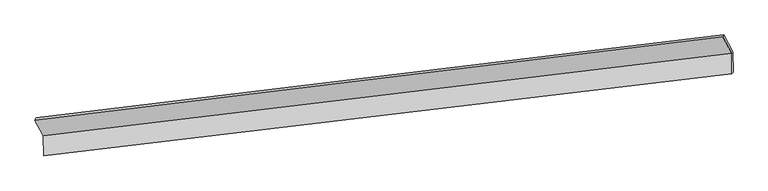
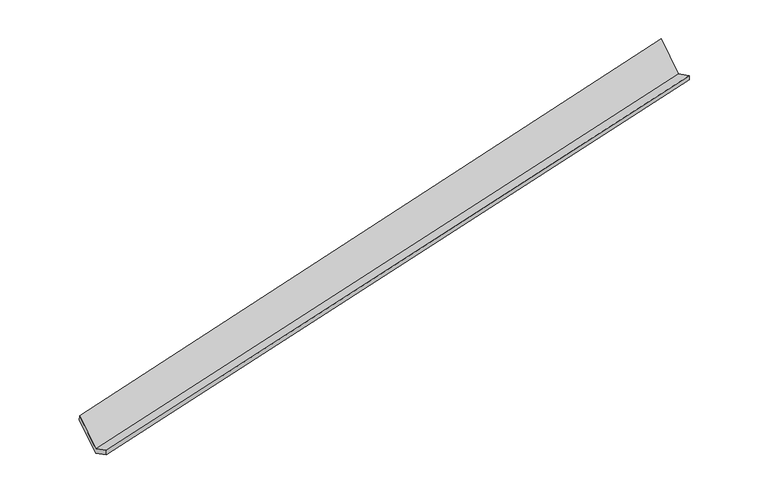
"""IFC4 building model written with IfcOpenShell, lengths in millimetres: proxy geometry."""

from ifc_helpers import new_model, si_unit, frame, origin, place, context, project, spatial, source, transform, mapped, element, save
from ifc_brep_helpers import plane_surface, spline_surface, advanced_brep


def generic_models_b02879d1(model_context):
    return source(origin(), model_context, "Body", "AdvancedBrep", [
        advanced_brep(
        [(-9753.5634414, -2332.1077187, 246.3102164), (-9750.2052486, -2731.1104825, 446.8062674), (4127.4105816, -1081.9626518, 3373.7975695), (4123.9395859, -669.5572507, 3166.5667886), (-9725.6799209, -2696.2187113, 312.1368789), (4149.5939839, -1042.7215424, 3247.822929), (-9729.1509166, -2283.8133102, 104.9060979), (4146.1229882, -630.3161412, 3040.592148), (-9901.4788135, -1963.7722319, 744.6991733), (3965.5983526, -295.052379, 3710.8168413), (-9925.8913383, -2012.0666404, 886.1032918), (3941.0730249, -329.9441501, 3845.4862298)],
        [
            (0, 1),
            (1, 2),
            (2, 3),
            (3, 0),
            (1, 4),
            (4, 5),
            (5, 2),
            (4, 6),
            (6, 7),
            (7, 5),
            (6, 8),
            (8, 9),
            (9, 7),
            (8, 10),
            (10, 11),
            (11, 9),
            (10, 0),
            (3, 11),
        ],
        [
            plane_surface(frame((-9751.884345, -2531.6091006, 346.5582419), z_axis=(-0.2350218295932373, 0.4348383863604897, 0.8692987503511396), x_axis=(0.007520188663668545, -0.8935091569543777, 0.4489819965222882))),
            spline_surface(1, 1, [[(-9750.2052486, -2731.1104825, 446.8062674), (4127.4105816, -1081.9626518, 3373.7975695)], [(-9725.6799209, -2696.2187113, 312.1368789), (4149.5939839, -1042.7215424, 3247.822929)]], [2, 2], [2, 2], [0.0, 1.0], [0.0, 1.0]),
            plane_surface(frame((-9727.4154187, -2490.0160108, 208.5214884), z_axis=(0.23570249326986503, -0.4347597990211496, -0.8691537561452858), x_axis=(-0.007520188663648692, 0.8935091569543929, -0.44898199652225834))),
            plane_surface(frame((-9815.314865, -2123.792771, 424.8026356), z_axis=(-0.011264849183912365, 0.8930723160301288, -0.4497720995275784), x_axis=(-0.2341925363303571, 0.43493382788339785, 0.869474796236124))),
            spline_surface(1, 1, [[(-9901.4788135, -1963.7722319, 744.6991733), (3965.5983526, -295.052379, 3710.8168413)], [(-9925.8913383, -2012.0666404, 886.1032918), (3941.0730249, -329.9441501, 3845.4862298)]], [2, 2], [2, 2], [0.0, 1.0], [0.0, 1.0]),
            plane_surface(frame((-9839.7273899, -2172.0871796, 566.2067541), z_axis=(0.012286078954268823, -0.8929508792980743, 0.4499864213781628), x_axis=(0.2341925363303346, -0.43493382788338986, -0.869474796236134))),
            plane_surface(frame((4075.6230862, -674.9256859, 3397.513751), z_axis=(0.97216115057619, 0.11168684703857884, 0.20598239125944612), x_axis=(-0.17361667629752126, -0.24700152526734082, 0.9533349339172508))),
            plane_surface(frame((-9797.6616132, -2336.5148492, 456.8269876), z_axis=(-0.9721611505761922, -0.11168684703845788, -0.20598239125950127), x_axis=(-0.23419253633032966, 0.43493382788339835, 0.8694747962361311))),
        ],
        [
            (0, [[1, 2, 3, 4]]),
            (1, [[5, 6, 7, -2]]),
            (2, [[8, 9, 10, -6]]),
            (3, [[11, 12, 13, -9]]),
            (4, [[14, 15, 16, -12]]),
            (5, [[17, -4, 18, -15]]),
            (6, [[-16, -18, -3, -7, -10, -13]]),
            (7, [[-17, -14, -11, -8, -5, -1]]),
        ],
    ),
    ])


if __name__ == "__main__":
    model = new_model("IFC4")
    model_context = context("Model", 3, world=origin())
    ifc_project = project(units=[si_unit("LENGTHUNIT", "METRE", prefix="MILLI")], contexts=[model_context])
    site = spatial("IfcSite", under=ifc_project)
    building = spatial("IfcBuilding", under=site)
    placement = place(None, origin())
    generic_models_shape = generic_models_b02879d1(model_context)
    element("IfcBuildingElementProxy", 1, Name="Generic Models", at=placement, inside=building, context=model_context, shape_type="MappedRepresentation", body=[
        mapped(generic_models_shape, transform((0.0, 0.0, 0.0), x_axis=(1.0, 0.0, 0.0), y_axis=(0.0, 1.0, 0.0), z_axis=(0.0, 0.0, 1.0))),
    ])
    save(model, "model.ifc")
